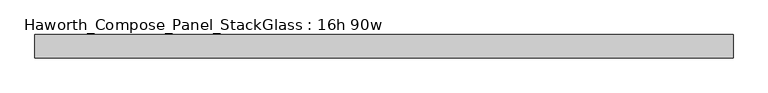
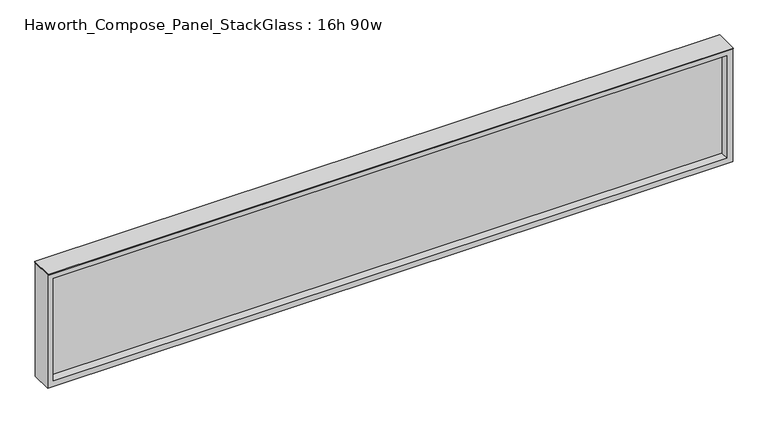
"""IFC4 building model written with IfcOpenShell, lengths in millimetres: furniture geometry, Haworth_Compose_Panel_StackGlass : 16h 90w."""

from ifc_helpers import new_model, si_unit, frame, origin, place, context, project, spatial, polyline, outline, extrude, source, transform, mapped, element, save


def haworth_compose_panel_stackglass_16h_90w_9deaeb32(model_context):
    return source(origin(), model_context, "Body", "SweptSolid", [
        extrude(outline(polyline([(1126.3902902, -6.35), (-1121.5097098, -6.35), (-1121.5097098, 6.35), (1126.3902902, 6.35), (1126.3902902, -6.35)])), frame((0.0, 0.0, 1085.85), z_axis=(0.0, 0.0, 1.0), x_axis=(1.0, 0.0, 0.0)), (0.0, 0.0, 1.0), 361.95),
        extrude(outline(polyline([(1466.85, -1140.5597098), (1066.8, -1140.5597098), (1066.8, 1145.4402902), (1466.85, 1145.4402902), (1466.85, -1140.5597098)]), holes=[polyline([(1447.8, 1126.3902902), (1085.85, 1126.3902902), (1085.85, -1121.5097098), (1447.8, -1121.5097098), (1447.8, 1126.3902902)])]), frame((0.0, -34.925, 0.0), z_axis=(0.0, 1.0, 0.0), x_axis=(0.0, 0.0, 1.0)), (0.0, 0.0, 1.0), 69.85),
        extrude(outline(polyline([(-1140.5597098, -38.1), (-1140.5597098, 38.1), (1145.4402902, 38.1), (1145.4402902, -38.1), (-1140.5597098, -38.1)])), frame((0.0, 0.0, 1466.85), z_axis=(0.0, 0.0, 1.0), x_axis=(1.0, 0.0, 0.0)), (0.0, 0.0, 1.0), 3.175),
    ])


if __name__ == "__main__":
    model = new_model("IFC4")
    model_context = context("Model", 3, world=origin())
    ifc_project = project(units=[si_unit("LENGTHUNIT", "METRE", prefix="MILLI")], contexts=[model_context])
    site = spatial("IfcSite", under=ifc_project)
    building = spatial("IfcBuilding", under=site)
    placement = place(None, origin())
    haworth_compose_panel_stackglass_16h_90w_shape = haworth_compose_panel_stackglass_16h_90w_9deaeb32(model_context)
    element("IfcFurniture", 1, ObjectType="Haworth_Compose_Panel_StackGlass : 16h 90w", at=placement, inside=building, context=model_context, shape_type="MappedRepresentation", body=[
        mapped(haworth_compose_panel_stackglass_16h_90w_shape, transform((0.0, 0.0, 0.0), x_axis=(1.0, 0.0, 0.0), y_axis=(0.0, 1.0, 0.0), z_axis=(0.0, 0.0, 1.0))),
    ])
    save(model, "model.ifc")
